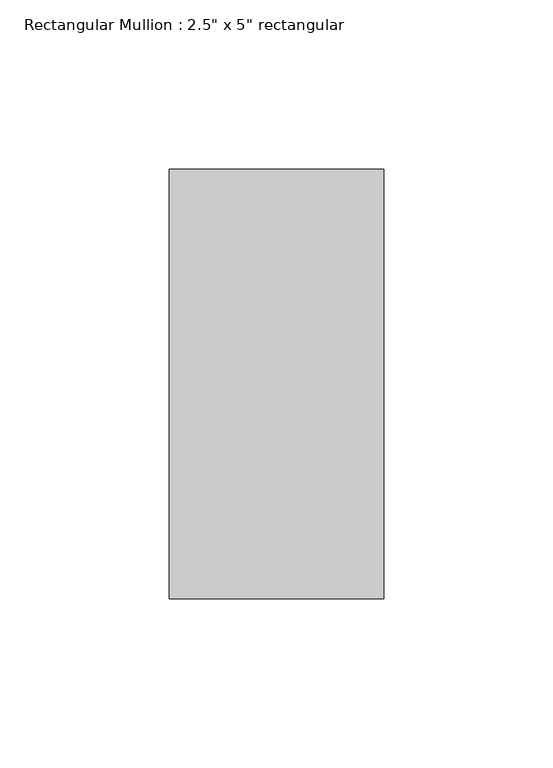
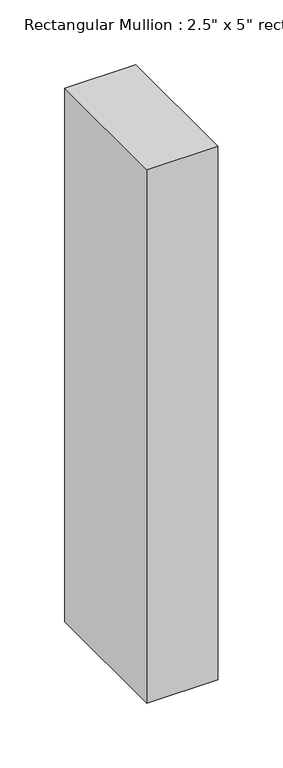
"""IFC4 building model written with IfcOpenShell, lengths in millimetres: member geometry."""

from ifc_helpers import new_model, si_unit, frame, origin, place, context, project, spatial, polyline, outline, extrude, source, transform, mapped, element, save


def member_34036c2e(model_context):
    return source(origin(), model_context, "Body", "SweptSolid", [
        extrude(outline(polyline([(31.75, 63.5), (31.75, -63.5), (-31.75, -63.5), (-31.75, 63.5), (31.75, 63.5)])), frame((0.0, 0.0, -503.531102), z_axis=(0.0, 0.0, 1.0), x_axis=(1.0, 0.0, 0.0)), (0.0, 0.0, 1.0), 503.531102),
    ])


if __name__ == "__main__":
    model = new_model("IFC4")
    model_context = context("Model", 3, world=origin())
    ifc_project = project(units=[si_unit("LENGTHUNIT", "METRE", prefix="MILLI")], contexts=[model_context])
    site = spatial("IfcSite", under=ifc_project)
    building = spatial("IfcBuilding", under=site)
    placement = place(None, origin())
    member_shape = member_34036c2e(model_context)
    element("IfcMember", 1, ObjectType="Rectangular Mullion : 2.5\" x 5\" rectangular", at=placement, inside=building, context=model_context, shape_type="MappedRepresentation", body=[
        mapped(member_shape, transform((0.0, 0.0, 0.0), x_axis=(1.0, 0.0, 0.0), y_axis=(0.0, 1.0, 0.0), z_axis=(0.0, 0.0, 1.0))),
    ])
    save(model, "model.ifc")
